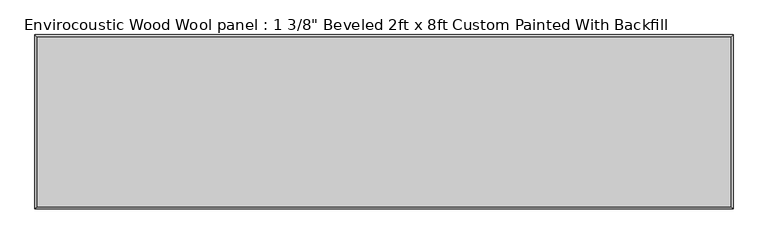
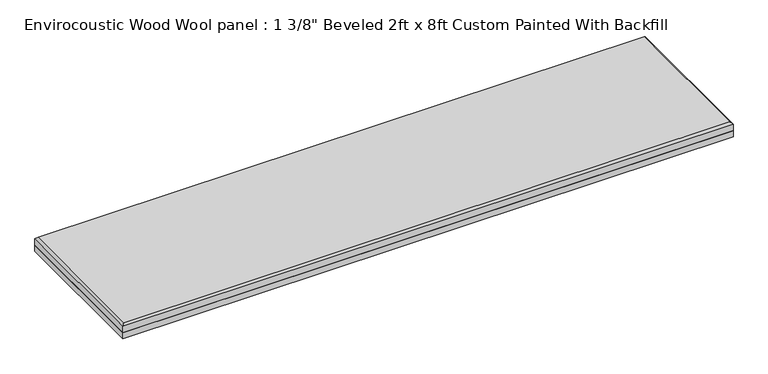
"""IFC4 building model written with IfcOpenShell, lengths in millimetres: proxy geometry."""

import ifcopenshell
import ifcopenshell.guid

model = None  # the IFC model being written
_history = None  # IfcOwnerHistory: only IFC2X3 demands one
_inside = {}  # id of a spatial element -> (the spatial element, [elements in it])
_under = {}  # id of a project, library or spatial element -> (it, [spatial elements below it])
_declared = {}  # id of a project -> (the project, [libraries it declares])
_typed = {}  # id of a type object -> (the type object, [elements of that type])
_made_of = {}  # id of a material, layer set ... -> (it, [elements and type objects made of it])


def new_model(schema):
    """Start an empty IFC model of exactly this schema.

    Asked for "IFC4X3", IfcOpenShell would pick the latest addendum, in which some entities
    have other attributes; the version numbers below select the first issue.
    IFC2X3 requires an IfcOwnerHistory on every rooted entity: one is made here for all.
    """
    global model, _history
    if schema == "IFC4X3":
        model = ifcopenshell.file(schema_version=(4, 3, 0, 0))
    else:
        model = ifcopenshell.file(schema=schema)
    _inside.clear()
    _under.clear()
    _declared.clear()
    _typed.clear()
    _made_of.clear()
    _history = None
    if model.schema == "IFC2X3":
        org = make("IfcOrganization", Name="unknown")
        user = make(
            "IfcPersonAndOrganization",
            ThePerson=make("IfcPerson", FamilyName="unknown"),
            TheOrganization=org,
        )
        app = make(
            "IfcApplication",
            ApplicationDeveloper=org,
            Version="unknown",
            ApplicationFullName="unknown",
            ApplicationIdentifier="unknown",
        )
        _history = make(
            "IfcOwnerHistory",
            OwningUser=user,
            OwningApplication=app,
            ChangeAction="ADDED",
            CreationDate=0,
        )
    return model


def make(cls, **values):
    """One entity of the class cls with the attributes given. An attribute that is None is left unset."""
    return model.create_entity(
        cls, **{name: value for name, value in values.items() if value is not None}
    )


def rooted(cls, **values):
    """An entity with a GlobalId (a new one), such as an element, a storey or a relation."""
    return make(cls, GlobalId=ifcopenshell.guid.new(), OwnerHistory=_history, **values)


def si_unit(unit_type, name, prefix=None):
    """IfcSIUnit, for example si_unit("LENGTHUNIT", "METRE", prefix="MILLI")."""
    return make("IfcSIUnit", UnitType=unit_type, Prefix=prefix, Name=name)


def assignment(units):
    """IfcUnitAssignment: the units of a project."""
    return None if units is None else make("IfcUnitAssignment", Units=units)


def point(xyz):
    """IfcCartesianPoint."""
    return None if xyz is None else make("IfcCartesianPoint", Coordinates=xyz)


def direction(xyz):
    """IfcDirection."""
    return None if xyz is None else make("IfcDirection", DirectionRatios=xyz)


def frame(location, z_axis=None, x_axis=None):
    """IfcAxis2Placement3D, a coordinate frame: its origin and axes. An axis left out is left unset."""
    return make(
        "IfcAxis2Placement3D",
        Location=point(location),
        Axis=direction(z_axis),
        RefDirection=direction(x_axis),
    )


def origin():
    """The frame at (0, 0, 0) with its axes left unset."""
    return frame((0.0, 0.0, 0.0))


def origin_with_axes():
    """The frame at (0, 0, 0) with the z axis (0, 0, 1) and the x axis (1, 0, 0) written out."""
    return frame((0.0, 0.0, 0.0), z_axis=(0.0, 0.0, 1.0), x_axis=(1.0, 0.0, 0.0))


def place(relative_to, where):
    """IfcLocalPlacement: puts the frame where relative to a parent placement (None: the world)."""
    return make(
        "IfcLocalPlacement", PlacementRelTo=relative_to, RelativePlacement=where
    )


def context(
    kind, dimensions, precision=None, world=None, true_north=None, identifier=None
):
    """IfcGeometricRepresentationContext, for example the 3D "Model" context."""
    return make(
        "IfcGeometricRepresentationContext",
        ContextIdentifier=identifier,
        ContextType=kind,
        CoordinateSpaceDimension=dimensions,
        Precision=precision,
        WorldCoordinateSystem=world,
        TrueNorth=true_north,
    )


def project(units=None, contexts=None):
    """IfcProject with its units and contexts."""
    return rooted(
        "IfcProject",
        Name="project",
        RepresentationContexts=contexts,
        UnitsInContext=assignment(units),
    )


def spatial(cls, under=None, at=None, **own):
    """A site, building, storey or space (cls), placed at a placement, below another one or the project."""
    s = rooted(cls, ObjectPlacement=at, **own)
    if under is not None:
        _under.setdefault(under.id(), (under, []))[1].append(s)
    return s


def polyline(points):
    """IfcPolyline through the points."""
    return make("IfcPolyline", Points=[point(p) for p in points])


def outline(outer, holes=None, kind="AREA"):
    """IfcArbitraryClosedProfileDef: a profile drawn as a closed curve; with holes, ...WithVoids."""
    if holes is None:
        return make("IfcArbitraryClosedProfileDef", ProfileType=kind, OuterCurve=outer)
    return make(
        "IfcArbitraryProfileDefWithVoids",
        ProfileType=kind,
        OuterCurve=outer,
        InnerCurves=holes,
    )


def extrude(swept, where, along, depth):
    """IfcExtrudedAreaSolid: the profile swept, set in the frame where, extruded along a direction by depth."""
    return make(
        "IfcExtrudedAreaSolid",
        SweptArea=swept,
        Position=where,
        ExtrudedDirection=direction(along),
        Depth=depth,
    )


def faces_of(points, faces, orient=None, outer=None):
    """IfcFace entities. A face is a list of loops; a loop is a list of indices into points, from 0.

    orient and outer hold one flag for each loop. By default every Orientation is true, the
    first loop of a face is its IfcFaceOuterBound and the others are IfcFaceBound.
    """
    made = []
    for i, loops in enumerate(faces):
        bounds = []
        for j, loop in enumerate(loops):
            is_outer = j == 0 if outer is None else outer[i][j]
            bounds.append(
                make(
                    "IfcFaceOuterBound" if is_outer else "IfcFaceBound",
                    Bound=make("IfcPolyLoop", Polygon=[points[k] for k in loop]),
                    Orientation=True if orient is None else orient[i][j],
                )
            )
        made.append(make("IfcFace", Bounds=bounds))
    return made


def faceted_brep(points, faces, orient=None, outer=None, voids=None):
    """IfcFacetedBrep: a solid bounded by flat faces; with voids (closed shells), ...WithVoids."""
    shared = [point(p) for p in points]
    hull = make("IfcClosedShell", CfsFaces=faces_of(shared, faces, orient, outer))
    if voids is None:
        return make("IfcFacetedBrep", Outer=hull)
    return make(
        "IfcFacetedBrepWithVoids",
        Outer=hull,
        Voids=[
            make(cls, CfsFaces=faces_of(shared, fs, o, b)) for cls, fs, o, b in voids
        ],
    )


def shape(context_of_items, identifier, shape_type, items):
    """IfcShapeRepresentation: the items that make up one representation, for example the "Body"."""
    return make(
        "IfcShapeRepresentation",
        ContextOfItems=context_of_items,
        RepresentationIdentifier=identifier,
        RepresentationType=shape_type,
        Items=items,
    )


def source(mapping_origin, context_of_items, identifier, shape_type, items):
    """IfcRepresentationMap: a shape defined once, which mapped items show again and again."""
    return make(
        "IfcRepresentationMap",
        MappingOrigin=mapping_origin,
        MappedRepresentation=shape(context_of_items, identifier, shape_type, items),
    )


def transform(
    local_origin,
    x_axis=None,
    y_axis=None,
    z_axis=None,
    scale=None,
    scale2=None,
    scale3=None,
    uniform=True,
):
    """IfcCartesianTransformationOperator3D, or its non-uniform kind. x_axis, y_axis, z_axis: its Axis1, 2, 3."""
    if uniform:
        return make(
            "IfcCartesianTransformationOperator3D",
            Axis1=direction(x_axis),
            Axis2=direction(y_axis),
            LocalOrigin=point(local_origin),
            Scale=scale,
            Axis3=direction(z_axis),
        )
    return make(
        "IfcCartesianTransformationOperator3DnonUniform",
        Axis1=direction(x_axis),
        Axis2=direction(y_axis),
        LocalOrigin=point(local_origin),
        Scale=scale,
        Axis3=direction(z_axis),
        Scale2=scale2,
        Scale3=scale3,
    )


def mapped(mapping_source, mapping_target):
    """IfcMappedItem: shows the shape of a source again, moved by a transform."""
    return make(
        "IfcMappedItem", MappingSource=mapping_source, MappingTarget=mapping_target
    )


def made_of(thing, what):
    """Note that an element or type object is made of a material, layer set ...; save() writes the relation."""
    if what is not None:
        _made_of.setdefault(what.id(), (what, []))[1].append(thing)
    return thing


def element(
    cls,
    number,
    at=None,
    inside=None,
    cuts=None,
    type_object=None,
    material=None,
    context=None,
    identifier="Body",
    shape_type=None,
    held_by="IfcProductDefinitionShape",
    body=None,
    shapes=None,
    **own,
):
    """One element of the class cls, such as IfcWall. Its Tag is "e" and its number.

    at: its placement. inside: the storey or other place that contains it. cuts: it is an
    opening in that element (IfcRelVoidsElement). A single representation is given by context,
    identifier, shape_type and body (its items); several are given by shapes. held_by: the class
    of the entity that holds the representations. save() writes the other relations.
    """
    e = rooted(cls, Tag="e%d" % number, ObjectPlacement=at, **own)
    if body is not None:
        shapes = [shape(context, identifier, shape_type, body)]
    if shapes is not None:
        e.Representation = make(held_by, Representations=shapes)
    if inside is not None:
        _inside.setdefault(inside.id(), (inside, []))[1].append(e)
    if cuts is not None:
        rooted(
            "IfcRelVoidsElement", RelatingBuildingElement=cuts, RelatedOpeningElement=e
        )
    if type_object is not None:
        _typed.setdefault(type_object.id(), (type_object, []))[1].append(e)
    return made_of(e, material)


def aggregate(whole, parts):
    """IfcRelAggregates: a whole, such as a stair, and the parts it consists of."""
    return rooted("IfcRelAggregates", RelatingObject=whole, RelatedObjects=parts)


def save(model, path):
    """Write the relations noted so far, then the file.

    IfcRelAggregates (storeys below a building ...), IfcRelContainedInSpatialStructure (elements
    in a storey), IfcRelDefinesByType, IfcRelAssociatesMaterial and IfcRelDeclares: one each for
    every whole, place, type object, material and project.
    """
    for whole, parts in _under.values():
        aggregate(whole, parts)
    for where, things in _inside.values():
        rooted(
            "IfcRelContainedInSpatialStructure",
            RelatedElements=things,
            RelatingStructure=where,
        )
    for kind, things in _typed.values():
        rooted("IfcRelDefinesByType", RelatedObjects=things, RelatingType=kind)
    for what, things in _made_of.values():
        rooted("IfcRelAssociatesMaterial", RelatedObjects=things, RelatingMaterial=what)
    for by, libraries in _declared.values():
        rooted("IfcRelDeclares", RelatingContext=by, RelatedDefinitions=libraries)
    model.write(path)


def proxy_ff11a739(model_context):
    return source(origin(), model_context, "Body", "SolidModel", [
        extrude(outline(polyline([(1219.2, 304.8), (1219.2, -304.8), (-1219.2, -304.8), (-1219.2, 304.8), (1219.2, 304.8)])), origin_with_axes(), (0.0, 0.0, 1.0), 25.4),
        faceted_brep([(1211.199, 296.799, 60.325), (-1211.199, 296.799, 60.325), (-1211.199, -296.799, 60.325), (1211.199, -296.799, 60.325), (-1219.2, 304.8, 25.4), (1219.2, 304.8, 25.4), (1219.2, -304.8, 25.4), (-1219.2, -304.8, 25.4), (-1219.2, -304.8, 52.324), (-1219.2, 304.8, 52.324), (1219.2, -304.8, 52.324), (1219.2, 304.8, 52.324)], [[[0, 1, 2, 3]], [[4, 5, 6, 7]], [[4, 7, 8, 9]], [[7, 6, 10, 8]], [[6, 5, 11, 10]], [[5, 4, 9, 11]], [[9, 1, 0, 11]], [[1, 9, 8, 2]], [[2, 8, 10, 3]], [[11, 0, 3, 10]]]),
    ])


if __name__ == "__main__":
    model = new_model("IFC4")
    model_context = context("Model", 3, world=origin())
    ifc_project = project(units=[si_unit("LENGTHUNIT", "METRE", prefix="MILLI")], contexts=[model_context])
    site = spatial("IfcSite", under=ifc_project)
    building = spatial("IfcBuilding", under=site)
    placement = place(None, origin())
    proxy_shape = proxy_ff11a739(model_context)
    element("IfcBuildingElementProxy", 1, Name="Envirocoustic Wood Wool panel : 1 3/8\" Beveled 2ft x 8ft Custom Painted With Backfill", ObjectType="Envirocoustic Wood Wool panel : 1 3/8\" Beveled 2ft x 8ft Custom Painted With Backfill", at=placement, inside=building, context=model_context, shape_type="MappedRepresentation", body=[
        mapped(proxy_shape, transform((0.0, 0.0, 0.0), x_axis=(1.0, 0.0, 0.0), y_axis=(0.0, 1.0, 0.0), z_axis=(0.0, 0.0, 1.0))),
    ])
    save(model, "model.ifc")
